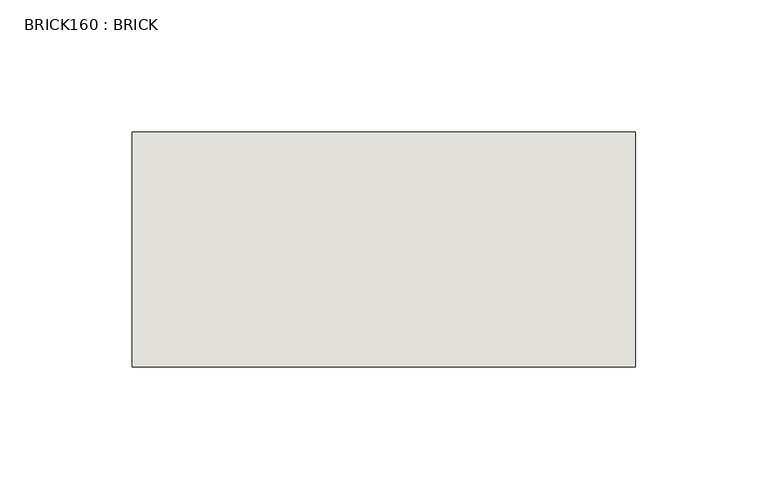
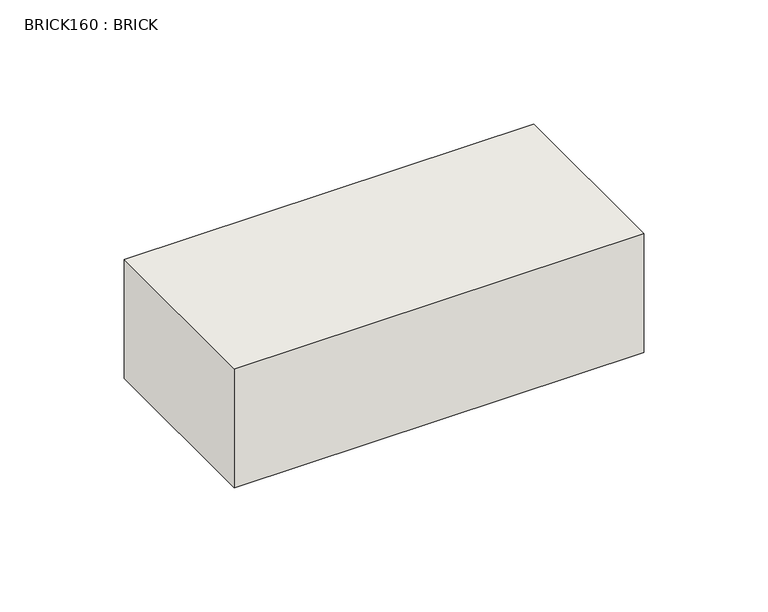
"""IFC4 building model written with IfcOpenShell, lengths in millimetres: wall geometry, BRICK160 : BRICK."""

from ifc_helpers import new_model, si_unit, frame, origin, place, context, project, spatial, polyline, outline, extrude, source, transform, mapped, element, save


def brick160_brick_76b73617(model_context):
    return source(origin(), model_context, "Body", "SweptSolid", [
        extrude(outline(polyline([(-283.8727406, 2586.2274125), (-93.3727406, 2586.2274125), (-93.3727406, 2497.3274125), (-283.8727406, 2497.3274125), (-283.8727406, 2586.2274125)])), frame((0.0, 0.0, 423.2671875), z_axis=(0.0, 0.0, 1.0), x_axis=(1.0, 0.0, 0.0)), (0.0, 0.0, 1.0), 58.4398437),
    ])


if __name__ == "__main__":
    model = new_model("IFC4")
    model_context = context("Model", 3, world=origin())
    ifc_project = project(units=[si_unit("LENGTHUNIT", "METRE", prefix="MILLI")], contexts=[model_context])
    site = spatial("IfcSite", under=ifc_project)
    building = spatial("IfcBuilding", under=site)
    placement = place(None, origin())
    brick160_brick_shape = brick160_brick_76b73617(model_context)
    element("IfcWall", 1, ObjectType="BRICK160 : BRICK", at=placement, inside=building, context=model_context, shape_type="MappedRepresentation", body=[
        mapped(brick160_brick_shape, transform((0.0, 0.0, 0.0), x_axis=(1.0, 0.0, 0.0), y_axis=(0.0, 1.0, 0.0), z_axis=(0.0, 0.0, 1.0))),
    ])
    save(model, "model.ifc")
